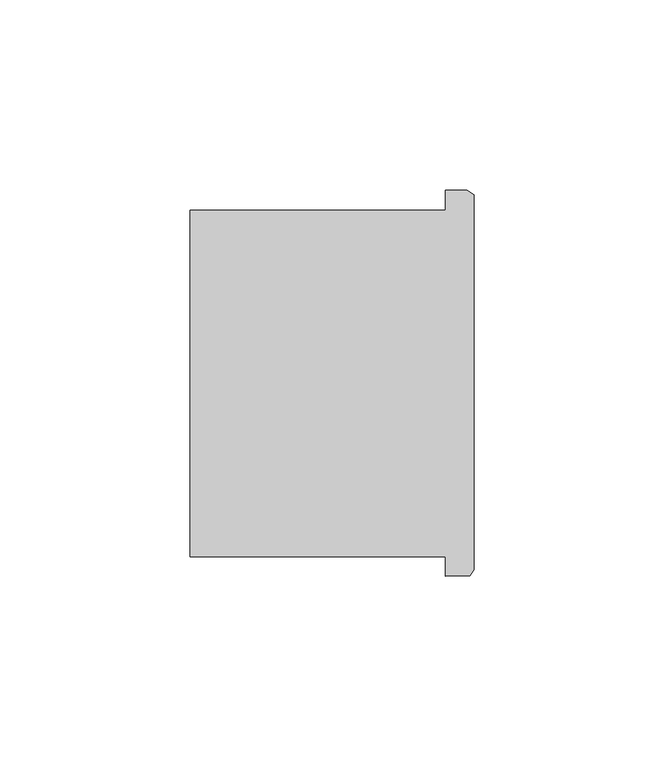
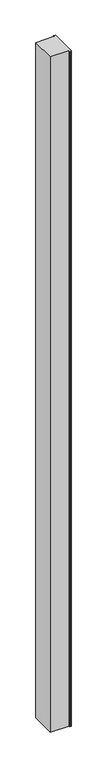
"""IFC4 building model written with IfcOpenShell, lengths in millimetres: column geometry."""

from ifc_helpers import new_model, si_unit, frame, origin, place, context, project, spatial, polyline, outline, extrude, source, transform, mapped, element, save


def column_420aba53(model_context):
    return source(origin(), model_context, "Body", "SweptSolid", [
        extrude(outline(polyline([(44120.2991862, -42654.3824584), (44120.2991862, -42649.2851102), (44053.013367, -42649.2851102), (44053.013367, -42558.081381), (44120.2991862, -42558.081381), (44120.2991862, -42552.7824584), (44125.9949584, -42552.7824584), (44127.7623158, -42554.016492), (44127.7623158, -42652.7391546), (44126.6801996, -42654.2274422), (44120.2991862, -42654.3824584)])), frame((0.0, 0.0, 4419.601524), z_axis=(0.0, 0.0, 1.0), x_axis=(1.0, 0.0, 0.0)), (0.0, 0.0, 1.0), 2590.8000565),
        extrude(outline(polyline([(44120.2991862, -42654.3824584), (44120.2991862, -42649.2851102), (44053.013367, -42649.2851102), (44053.013367, -42558.081381), (44120.2991862, -42558.081381), (44120.2991862, -42552.7824584), (44125.9949584, -42552.7824584), (44127.7623158, -42554.016492), (44127.7623158, -42652.7391546), (44126.6801996, -42654.2274422), (44120.2991862, -42654.3824584)])), frame((0.0, 0.0, 4419.601524), z_axis=(0.0, 0.0, 1.0), x_axis=(1.0, 0.0, 0.0)), (0.0, 0.0, 1.0), 2590.8000565),
    ])


if __name__ == "__main__":
    model = new_model("IFC4")
    model_context = context("Model", 3, world=origin())
    ifc_project = project(units=[si_unit("LENGTHUNIT", "METRE", prefix="MILLI")], contexts=[model_context])
    site = spatial("IfcSite", under=ifc_project)
    building = spatial("IfcBuilding", under=site)
    placement = place(None, origin())
    column_shape = column_420aba53(model_context)
    element("IfcColumn", 1, at=placement, inside=building, context=model_context, shape_type="MappedRepresentation", body=[
        mapped(column_shape, transform((0.0, 0.0, 0.0), x_axis=(1.0, 0.0, 0.0), y_axis=(0.0, 1.0, 0.0), z_axis=(0.0, 0.0, 1.0))),
    ])
    save(model, "model.ifc")
